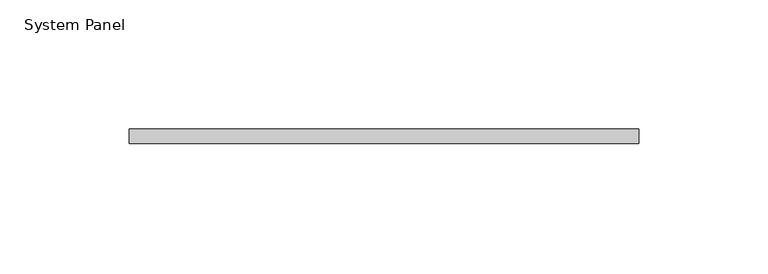
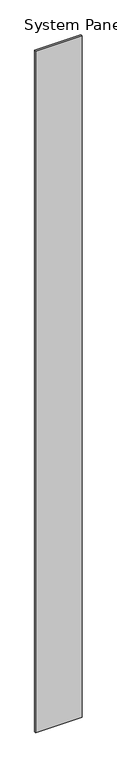
"""IFC4 building model written with IfcOpenShell, lengths in millimetres: plate geometry, System Panel."""

from ifc_helpers import new_model, si_unit, origin, origin_with_axes, place, context, project, spatial, polyline, outline, extrude, source, transform, mapped, element, save


def system_panel_a9d1f253(model_context):
    return source(origin(), model_context, "Body", "SweptSolid", [
        extrude(outline(polyline([(98.425, 7.9375), (-98.425, 7.9375), (-98.425, 13.49375), (98.425, 13.49375), (98.425, 7.9375)])), origin_with_axes(), (0.0, 0.0, 1.0), 3048.0),
    ])


if __name__ == "__main__":
    model = new_model("IFC4")
    model_context = context("Model", 3, world=origin())
    ifc_project = project(units=[si_unit("LENGTHUNIT", "METRE", prefix="MILLI")], contexts=[model_context])
    site = spatial("IfcSite", under=ifc_project)
    building = spatial("IfcBuilding", under=site)
    placement = place(None, origin())
    system_panel_shape = system_panel_a9d1f253(model_context)
    element("IfcPlate", 1, ObjectType="System Panel", at=placement, inside=building, context=model_context, shape_type="MappedRepresentation", body=[
        mapped(system_panel_shape, transform((0.0, 0.0, 0.0), x_axis=(1.0, 0.0, 0.0), y_axis=(0.0, 1.0, 0.0), z_axis=(0.0, 0.0, 1.0))),
    ])
    save(model, "model.ifc")
